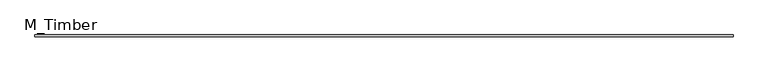
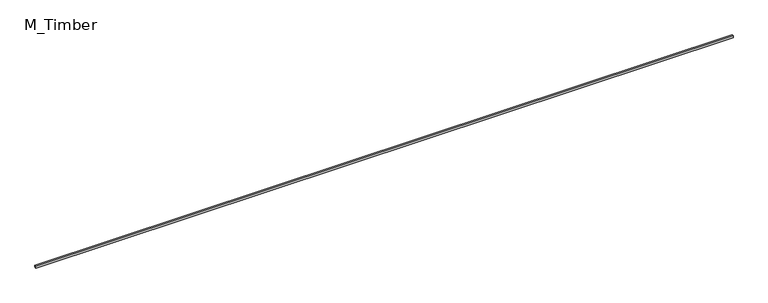
"""IFC4 building model written with IfcOpenShell, lengths in millimetres: beam geometry, M_Timber."""

from ifc_helpers import new_model, si_unit, frame, origin, place, context, project, spatial, polyline, outline, extrude, source, transform, mapped, element, save


def m_timber_c1a9faf2(model_context):
    return source(origin(), model_context, "Body", "SweptSolid", [
        extrude(outline(polyline([(7748.0916905, 20.0), (7748.0916905, -20.0), (-7748.0916905, -20.0), (-7748.0916905, 20.0), (7748.0916905, 20.0)])), frame((0.0, 0.0, -20.0), z_axis=(0.0, 0.0, 1.0), x_axis=(1.0, 0.0, 0.0)), (0.0, 0.0, 1.0), 40.0),
    ])


if __name__ == "__main__":
    model = new_model("IFC4")
    model_context = context("Model", 3, world=origin())
    ifc_project = project(units=[si_unit("LENGTHUNIT", "METRE", prefix="MILLI")], contexts=[model_context])
    site = spatial("IfcSite", under=ifc_project)
    building = spatial("IfcBuilding", under=site)
    placement = place(None, origin())
    m_timber_shape = m_timber_c1a9faf2(model_context)
    element("IfcBeam", 1, ObjectType="M_Timber", at=placement, inside=building, context=model_context, shape_type="MappedRepresentation", body=[
        mapped(m_timber_shape, transform((0.0, 0.0, 0.0), x_axis=(1.0, 0.0, 0.0), y_axis=(0.0, 1.0, 0.0), z_axis=(0.0, 0.0, 1.0))),
    ])
    save(model, "model.ifc")
